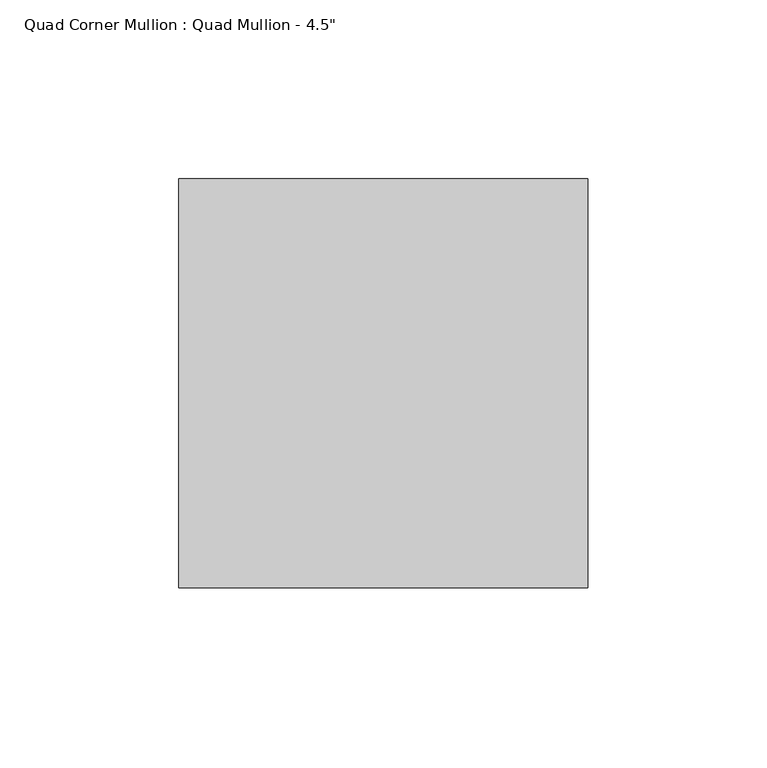
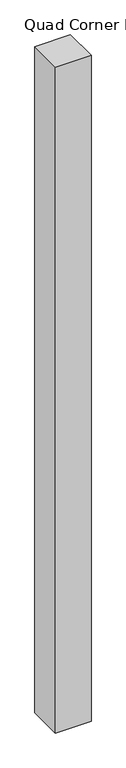
"""IFC4 building model written with IfcOpenShell, lengths in millimetres: member geometry."""

from ifc_helpers import new_model, si_unit, frame, origin, place, context, project, spatial, polyline, outline, extrude, source, transform, mapped, element, save


def member_4a6ec30f(model_context):
    return source(origin(), model_context, "Body", "SweptSolid", [
        extrude(outline(polyline([(57.15, 57.15), (57.15, -57.15), (-57.15, -57.15), (-57.15, 57.15), (57.15, 57.15)])), frame((0.0, 0.0, -2263.0423077), z_axis=(0.0, 0.0, 1.0), x_axis=(1.0, 0.0, 0.0)), (0.0, 0.0, 1.0), 2263.0423077),
    ])


if __name__ == "__main__":
    model = new_model("IFC4")
    model_context = context("Model", 3, world=origin())
    ifc_project = project(units=[si_unit("LENGTHUNIT", "METRE", prefix="MILLI")], contexts=[model_context])
    site = spatial("IfcSite", under=ifc_project)
    building = spatial("IfcBuilding", under=site)
    placement = place(None, origin())
    member_shape = member_4a6ec30f(model_context)
    element("IfcMember", 1, ObjectType="Quad Corner Mullion : Quad Mullion - 4.5\"", at=placement, inside=building, context=model_context, shape_type="MappedRepresentation", body=[
        mapped(member_shape, transform((0.0, 0.0, 0.0), x_axis=(1.0, 0.0, 0.0), y_axis=(0.0, 1.0, 0.0), z_axis=(0.0, 0.0, 1.0))),
    ])
    save(model, "model.ifc")
